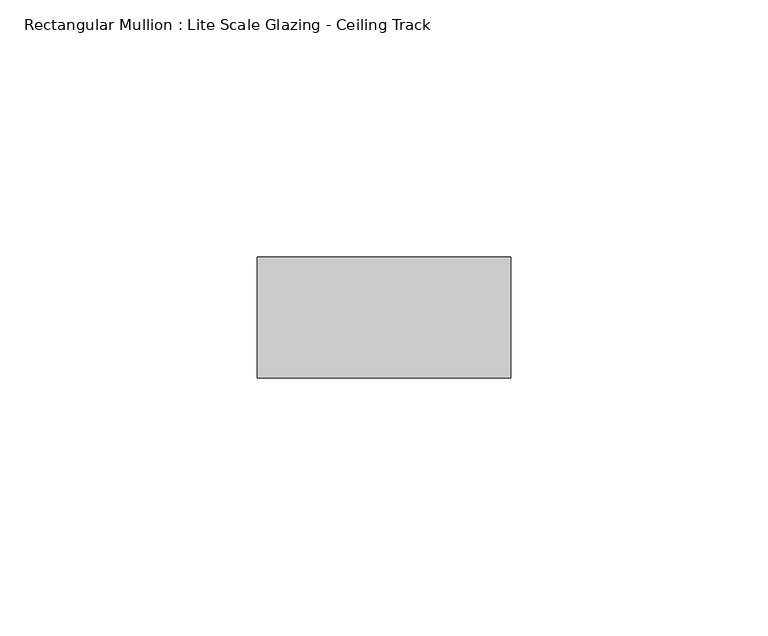
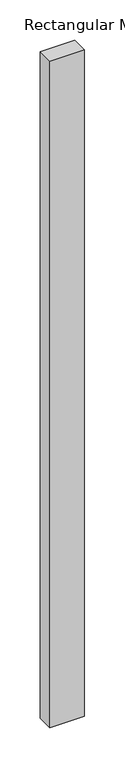
"""IFC4 building model written with IfcOpenShell, lengths in millimetres: member geometry, Rectangular Mullion : Lite Scale Glazing - Ceiling Track."""

from ifc_helpers import new_model, si_unit, frame, origin, place, context, project, spatial, polyline, outline, extrude, source, transform, mapped, element, save


def rectangular_mullion_lite_scale_glazing_ceiling_track_9a7e8567(model_context):
    return source(origin(), model_context, "Body", "SweptSolid", [
        extrude(outline(polyline([(-49.276, -11.7474999), (-49.276, 11.7474999), (0.0, 11.7474999), (0.0, -11.7474999), (-49.276, -11.7474999)])), frame((0.0, 0.0, -1007.1693618), z_axis=(0.0, 0.0, 1.0), x_axis=(1.0, 0.0, 0.0)), (0.0, 0.0, 1.0), 1007.1693618),
    ])


if __name__ == "__main__":
    model = new_model("IFC4")
    model_context = context("Model", 3, world=origin())
    ifc_project = project(units=[si_unit("LENGTHUNIT", "METRE", prefix="MILLI")], contexts=[model_context])
    site = spatial("IfcSite", under=ifc_project)
    building = spatial("IfcBuilding", under=site)
    placement = place(None, origin())
    rectangular_mullion_lite_scale_glazing_ceiling_track_shape = rectangular_mullion_lite_scale_glazing_ceiling_track_9a7e8567(model_context)
    element("IfcMember", 1, ObjectType="Rectangular Mullion : Lite Scale Glazing - Ceiling Track", at=placement, inside=building, context=model_context, shape_type="MappedRepresentation", body=[
        mapped(rectangular_mullion_lite_scale_glazing_ceiling_track_shape, transform((0.0, 0.0, 0.0), x_axis=(1.0, 0.0, 0.0), y_axis=(0.0, 1.0, 0.0), z_axis=(0.0, 0.0, 1.0))),
    ])
    save(model, "model.ifc")
